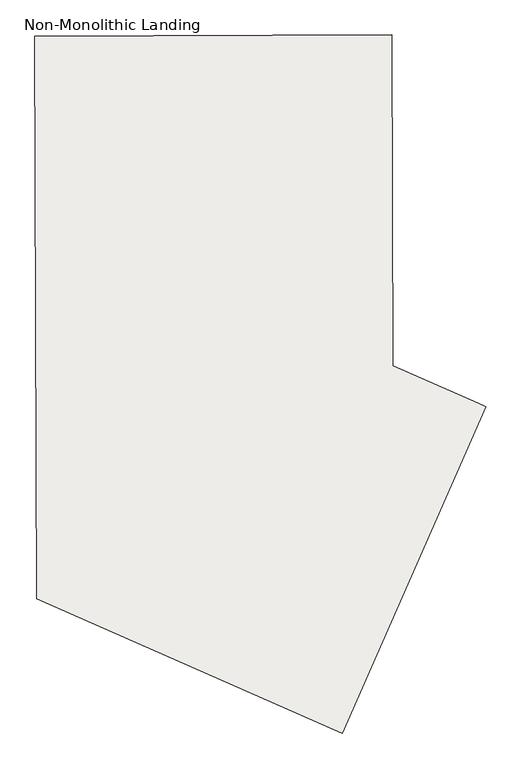
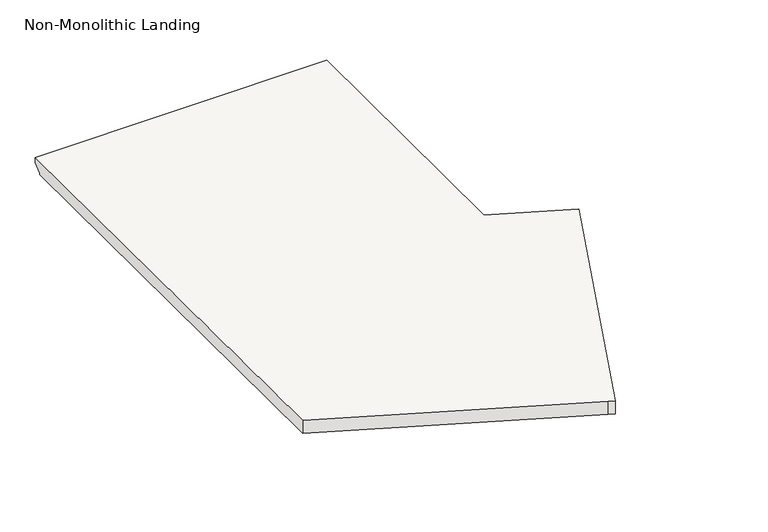
"""IFC4 building model written with IfcOpenShell, lengths in millimetres: slab geometry, Non-Monolithic Landing."""

from ifc_helpers import new_model, si_unit, frame, origin, place, context, project, spatial, polyline, circle_curve, source, transform, mapped, element, save
from ifc_brep_helpers import plane_surface, cylinder_surface, revolved_surface, advanced_brep


def non_monolithic_landing_9b9cc602(model_context):
    return source(origin(), model_context, "Body", "AdvancedBrep", [
        advanced_brep(
        [(52947.0214177, 1094.9943764, 1331.6323529), (52947.0214177, 1094.9943764, 1350.6823529), (54013.814874, 1098.7309187, 1350.6823529), (54013.814874, 1098.7309187, 1331.6323529), (52947.110383, 1069.5945322, 1306.2323529), (54013.9038393, 1073.3310745, 1306.2323529), (52952.9118628, -586.7444598, 1350.6823529), (53841.9789481, -978.466126, 1350.6823529), (53865.2583827, -988.6266233, 1350.6823529), (54295.4040799, -12.3508279, 1350.6823529), (54272.1099982, -2.2235743, 1350.6823529), (54017.2778019, 110.0551212, 1350.6823529), (52947.110383, 1069.5945322, 1299.8823529), (54013.9038393, 1073.3310745, 1299.8823529), (54017.2778019, 110.0551212, 1299.8823529), (54272.1099982, -2.2235743, 1299.8823529), (54295.4040799, -12.3508279, 1299.8823529), (53865.2583827, -988.6266233, 1299.8823529), (53841.9789481, -978.466126, 1299.8823529), (52952.9118628, -586.7444598, 1299.8823529)],
        [
            (0, 1),
            (1, 2),
            (2, 3),
            (3, 0),
            (4, 0),
            (3, 5),
            (5, 4),
            (6, 7),
            (7, 8, circle_curve(frame((55316.5436471, 2368.2646073, 1350.6823529), z_axis=(0.0, 0.0, 1.0), x_axis=(1.0, 0.0, 0.0)), 3657.1775528)),
            (8, 9),
            (9, 10, circle_curve(frame((55316.5436471, 2368.2646073, 1350.6823529), z_axis=(0.0, 0.0, -1.0), x_axis=(1.0, 0.0, 0.0)), 2590.3775528)),
            (10, 11),
            (11, 2),
            (1, 6),
            (12, 13),
            (13, 14),
            (14, 15),
            (15, 16, circle_curve(frame((55316.5436471, 2368.2646073, 1299.8823529), z_axis=(0.0, 0.0, 1.0), x_axis=(1.0, 0.0, 0.0)), 2590.3775528)),
            (16, 17),
            (17, 18, circle_curve(frame((55316.5436471, 2368.2646073, 1299.8823529), z_axis=(0.0, 0.0, -1.0), x_axis=(1.0, 0.0, 0.0)), 3657.1775528)),
            (18, 19),
            (19, 12),
            (12, 4),
            (5, 13),
            (19, 6),
            (18, 7),
            (17, 8),
            (16, 9),
            (15, 10),
            (14, 11),
        ],
        [
            plane_surface(frame((52947.0214177, 1094.9943764, 1350.6823529), z_axis=(-0.0035025705248068035, 0.9999938659810463, 0.0), x_axis=(0.9999938659810463, 0.0035025705248068035, 0.0))),
            plane_surface(frame((52947.0214177, 1094.9943764, 1331.6323529), z_axis=(-0.0024766913696750202, 0.7071024437801509, -0.7071067811865462), x_axis=(0.9999938659810463, 0.0035025705248068035, 0.0))),
            plane_surface(frame((54013.9038393, 1073.3310745, 1350.6823529), z_axis=(0.0, 0.0, 1.0000000000000002), x_axis=(-0.9999938659810463, -0.0035025705248068035, 0.0))),
            plane_surface(frame((54013.9038393, 1073.3310745, 1299.8823529), z_axis=(0.0, 0.0, -1.0000000000000002), x_axis=(0.9999938659810463, 0.0035025705248068035, 0.0))),
            plane_surface(frame((54013.9038393, 1073.3310745, 1350.6823529), z_axis=(-0.0035025705248068035, 0.9999938659810463, 0.0), x_axis=(0.0, 0.0, -1.0))),
            plane_surface(frame((52947.110383, 1069.5945322, 1350.6823529), z_axis=(-0.9999938659810463, -0.0035025705248028435, 0.0), x_axis=(0.0, 0.0, -1.0))),
            plane_surface(frame((52952.9118628, -586.7444598, 1350.6823529), z_axis=(-0.40319745971439447, -0.9151130031203027, 0.0), x_axis=(0.0, 0.0, -1.0))),
            cylinder_surface(frame((55316.5436471, 2368.2646073, 1299.8823529), z_axis=(0.0, 0.0, 1.0), x_axis=(1.0, 0.0, 0.0)), 3657.1775528),
            plane_surface(frame((53865.2583827, -988.6266233, 1350.6823529), z_axis=(0.9151130031203056, -0.403197459714388, 0.0), x_axis=(0.0, 0.0, -1.0))),
            revolved_surface(polyline([(57906.921199899996, 2368.2646073, 1299.8823529), (57906.921199899996, 2368.2646073, 1350.6823529)]), (55316.5436471, 2368.2646073, 1299.8823529), (0.0, 0.0, -1.0)),
            plane_surface(frame((54272.1099982, -2.2235743, 1350.6823529), z_axis=(0.4031974597143883, 0.9151130031203055, 0.0), x_axis=(0.0, 0.0, -1.0))),
            plane_surface(frame((54017.2778019, 110.0551212, 1350.6823529), z_axis=(0.9999938659810463, 0.003502570524797593, 0.0), x_axis=(0.0, 0.0, -1.0))),
        ],
        [
            (0, [[1, 2, 3, 4]]),
            (1, [[5, -4, 6, 7]]),
            (2, [[8, 9, 10, 11, 12, 13, -2, 14]]),
            (3, [[15, 16, 17, 18, 19, 20, 21, 22]]),
            (4, [[-15, 23, -7, 24]]),
            (5, [[-14, -1, -5, -23, -22, 25]]),
            (6, [[-8, -25, -21, 26]]),
            (7, [[-9, -26, -20, 27]]),
            (8, [[-10, -27, -19, 28]]),
            (9, [[-11, -28, -18, 29]]),
            (10, [[-12, -29, -17, 30]]),
            (11, [[-13, -30, -16, -24, -6, -3]]),
        ],
    ),
    ])


if __name__ == "__main__":
    model = new_model("IFC4")
    model_context = context("Model", 3, world=origin())
    ifc_project = project(units=[si_unit("LENGTHUNIT", "METRE", prefix="MILLI")], contexts=[model_context])
    site = spatial("IfcSite", under=ifc_project)
    building = spatial("IfcBuilding", under=site)
    placement = place(None, origin())
    non_monolithic_landing_shape = non_monolithic_landing_9b9cc602(model_context)
    element("IfcSlab", 1, ObjectType="Non-Monolithic Landing", at=placement, inside=building, context=model_context, shape_type="MappedRepresentation", body=[
        mapped(non_monolithic_landing_shape, transform((0.0, 0.0, 0.0), x_axis=(1.0, 0.0, 0.0), y_axis=(0.0, 1.0, 0.0), z_axis=(0.0, 0.0, 1.0))),
    ])
    save(model, "model.ifc")
